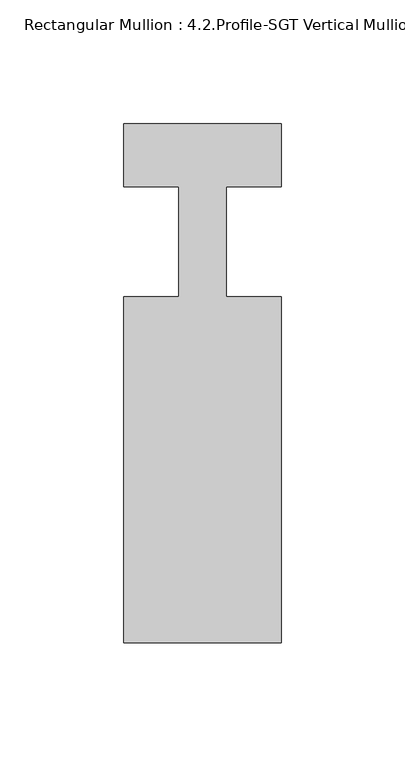
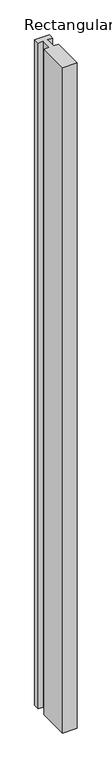
"""IFC4 building model written with IfcOpenShell, lengths in millimetres: member geometry, Rectangular Mullion : 4.2.Profile-SGT Vertical Mullion 1-0.75 inch Infill-Detail-6."""

from ifc_helpers import new_model, si_unit, frame, origin, place, context, project, spatial, polyline, outline, extrude, source, transform, mapped, element, save


def rectangular_mullion_4_2_profile_sgt_vertical_mullion_1_0_75_7fecb4a0(model_context):
    return source(origin(), model_context, "Body", "SweptSolid", [
        extrude(outline(polyline([(-1.8e-06, -139.699995), (-63.5000018, -139.699995), (-63.5000018, 0.0), (-41.275115, 0.0), (-41.275115, 44.3982846), (-63.5, 44.3982846), (-63.5, 69.85), (0.0, 69.85), (0.0, 44.45), (-22.2248886, 44.45), (-22.2248886, 0.0), (-1.8e-06, 0.0), (-1.8e-06, -139.699995)])), frame((0.0, 0.0, -3048.0), z_axis=(0.0, 0.0, 1.0), x_axis=(1.0, 0.0, 0.0)), (0.0, 0.0, 1.0), 3048.0),
    ])


if __name__ == "__main__":
    model = new_model("IFC4")
    model_context = context("Model", 3, world=origin())
    ifc_project = project(units=[si_unit("LENGTHUNIT", "METRE", prefix="MILLI")], contexts=[model_context])
    site = spatial("IfcSite", under=ifc_project)
    building = spatial("IfcBuilding", under=site)
    placement = place(None, origin())
    rectangular_mullion_4_2_profile_sgt_vertical_mullion_1_0_75_shape = rectangular_mullion_4_2_profile_sgt_vertical_mullion_1_0_75_7fecb4a0(model_context)
    element("IfcMember", 1, ObjectType="Rectangular Mullion : 4.2.Profile-SGT Vertical Mullion 1-0.75 inch Infill-Detail-6", at=placement, inside=building, context=model_context, shape_type="MappedRepresentation", body=[
        mapped(rectangular_mullion_4_2_profile_sgt_vertical_mullion_1_0_75_shape, transform((0.0, 0.0, 0.0), x_axis=(1.0, 0.0, 0.0), y_axis=(0.0, 1.0, 0.0), z_axis=(0.0, 0.0, 1.0))),
    ])
    save(model, "model.ifc")
